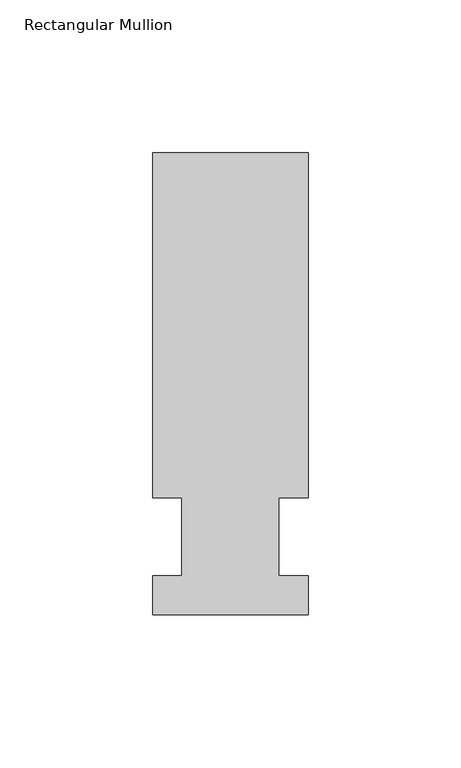
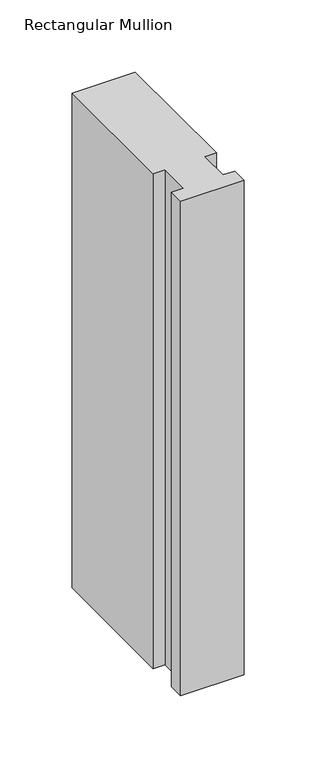
"""IFC4 building model written with IfcOpenShell, lengths in millimetres: member geometry, Rectangular Mullion."""

from ifc_helpers import new_model, si_unit, frame, origin, place, context, project, spatial, polyline, outline, extrude, source, transform, mapped, element, save


def rectangular_mullion_2ce96805(model_context):
    return source(origin(), model_context, "Body", "SweptSolid", [
        extrude(outline(polyline([(-25.4, -25.58415), (-25.4, -12.7), (-15.875, -12.7), (-15.875, 12.7), (-25.4, 12.7), (-25.4, 125.59665), (25.4, 125.59665), (25.4, 12.7), (15.875, 12.7), (15.875, -12.7), (25.4, -12.7), (25.4, -25.58415), (-25.4, -25.58415)])), frame((0.0, 0.0, -419.1), z_axis=(0.0, 0.0, 1.0), x_axis=(1.0, 0.0, 0.0)), (0.0, 0.0, 1.0), 419.1),
    ])


if __name__ == "__main__":
    model = new_model("IFC4")
    model_context = context("Model", 3, world=origin())
    ifc_project = project(units=[si_unit("LENGTHUNIT", "METRE", prefix="MILLI")], contexts=[model_context])
    site = spatial("IfcSite", under=ifc_project)
    building = spatial("IfcBuilding", under=site)
    placement = place(None, origin())
    rectangular_mullion_shape = rectangular_mullion_2ce96805(model_context)
    element("IfcMember", 1, ObjectType="Rectangular Mullion", at=placement, inside=building, context=model_context, shape_type="MappedRepresentation", body=[
        mapped(rectangular_mullion_shape, transform((0.0, 0.0, 0.0), x_axis=(1.0, 0.0, 0.0), y_axis=(0.0, 1.0, 0.0), z_axis=(0.0, 0.0, 1.0))),
    ])
    save(model, "model.ifc")
